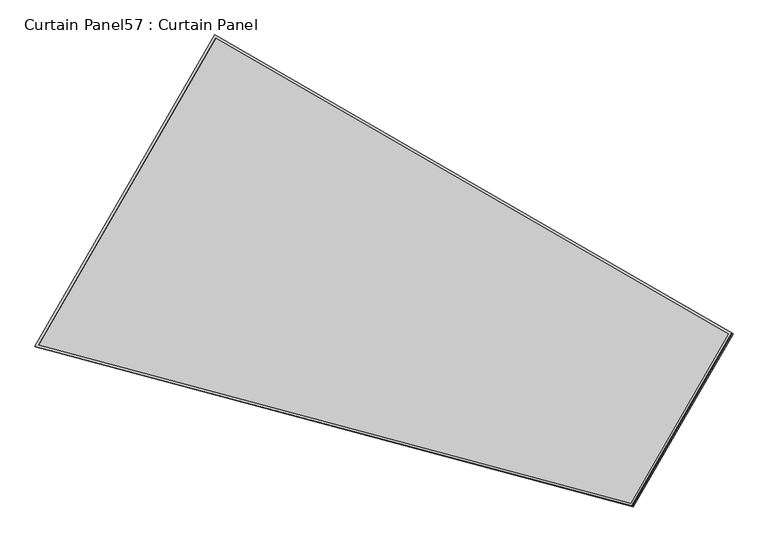
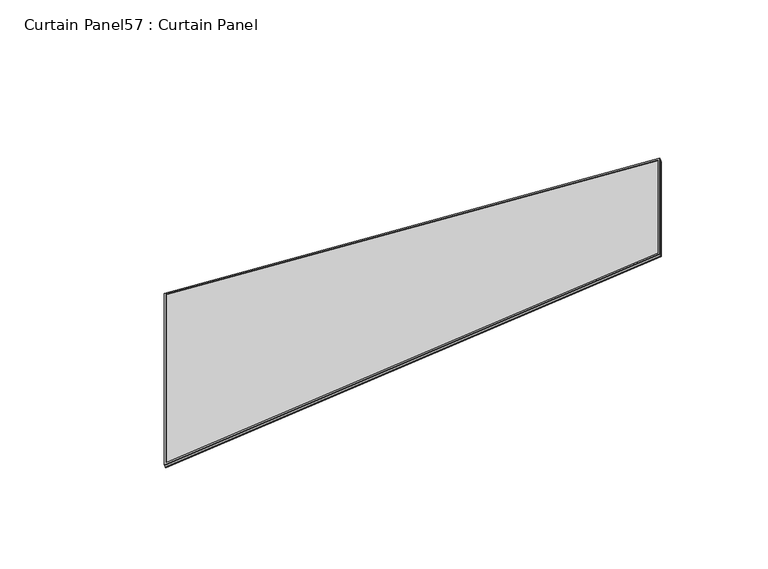
"""IFC4 building model written with IfcOpenShell, lengths in millimetres: plate geometry, Curtain Panel57 : Curtain Panel."""

from ifc_helpers import new_model, si_unit, frame, origin, place, context, project, spatial, polyline, outline, extrude, source, transform, mapped, element, save


def curtain_panel57_curtain_panel_a64ae9af(model_context):
    return source(origin(), model_context, "Body", "SweptSolid", [
        extrude(outline(polyline([(1625.9060241, -2842.288964), (722.5275942, -2842.288964), (0.0, 0.0), (1625.9060241, -1e-07), (1625.9060241, -2842.288964)]), holes=[polyline([(1614.7935241, -11.1125), (14.2907959, -11.1125001), (731.1686564, -2831.176464), (1614.7935241, -2831.176464), (1614.7935241, -11.1125)])]), frame((2914.3626851, 3862.1861049, -9.1628333), z_axis=(-0.2737903148616807, 0.15807291198690854, 0.9487106081329126), x_axis=(0.5000000000000164, 0.8660254037844292, 0.0)), (0.0, 0.0, 1.0), 4.8485778),
        extrude(outline(polyline([(1625.9060241, -2842.288964), (722.5275942, -2842.288964), (0.0, 0.0), (1625.9060241, -1e-07), (1625.9060241, -2842.288964)]), holes=[polyline([(1614.7935241, -11.1125001), (14.2907959, -11.1125), (731.1686564, -2831.176464), (1614.7935241, -2831.176464), (1614.7935241, -11.1125001)])]), frame((2919.186935, 3859.4008229, -25.8793379), z_axis=(-0.2737903148616808, 0.1580729119869085, 0.9487106081329125), x_axis=(0.5000000000000162, 0.8660254037844293, 0.0)), (0.0, 0.0, 1.0), 4.7823602),
        extrude(outline(polyline([(25.6892883, 0.0), (1651.5953124, -1e-07), (1651.5953125, -2842.288964), (748.2168826, -2842.288964), (25.6892883, 0.0)])), frame((2905.0329269, 3837.9092082, -21.3422621), z_axis=(-0.2737903148616768, 0.15807291198690618, 0.9487106081329142), x_axis=(0.5000000000000113, 0.8660254037844322, 0.0)), (0.0, 0.0, 1.0), 12.8378756),
    ])


if __name__ == "__main__":
    model = new_model("IFC4")
    model_context = context("Model", 3, world=origin())
    ifc_project = project(units=[si_unit("LENGTHUNIT", "METRE", prefix="MILLI")], contexts=[model_context])
    site = spatial("IfcSite", under=ifc_project)
    building = spatial("IfcBuilding", under=site)
    placement = place(None, origin())
    curtain_panel57_curtain_panel_shape = curtain_panel57_curtain_panel_a64ae9af(model_context)
    element("IfcPlate", 1, ObjectType="Curtain Panel57 : Curtain Panel", at=placement, inside=building, context=model_context, shape_type="MappedRepresentation", body=[
        mapped(curtain_panel57_curtain_panel_shape, transform((0.0, 0.0, 0.0), x_axis=(1.0, 0.0, 0.0), y_axis=(0.0, 1.0, 0.0), z_axis=(0.0, 0.0, 1.0))),
    ])
    save(model, "model.ifc")
